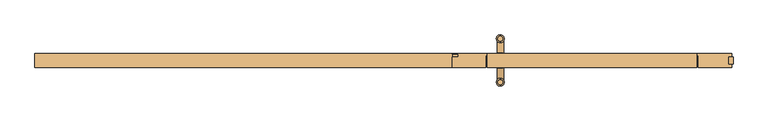
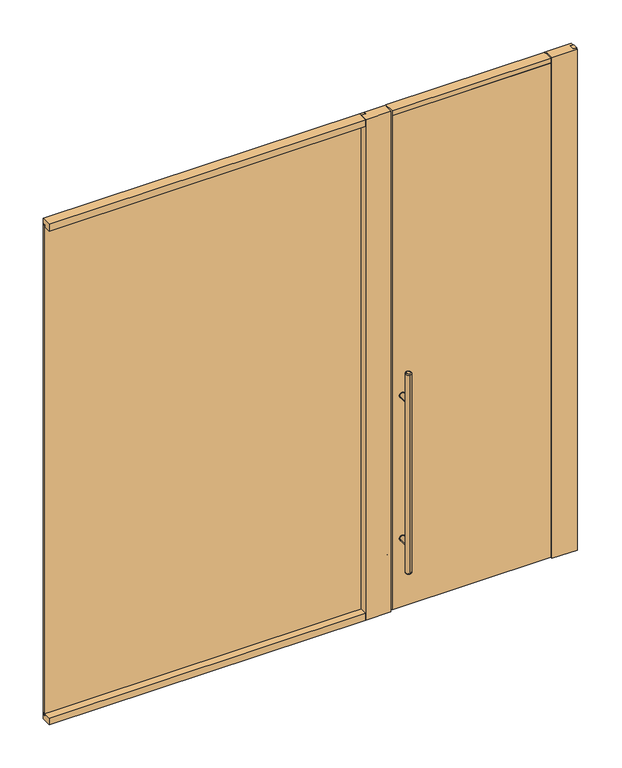
"""IFC4 building model written with IfcOpenShell, lengths in millimetres: door geometry."""

from ifc_helpers import new_model, si_unit, point, frame, frame_2d, origin, origin_with_axes, place, context, project, spatial, polyline, circle_curve, ellipse_curve, trimmed, segment, composite_curve, outline, extrude, faceted_brep, source, transform, mapped, element, save
from ifc_brep_helpers import plane_surface, cylinder_surface, revolved_surface, advanced_brep


def door_faa36e53(model_context):
    return source(origin(), model_context, "Body", "SolidModel", [
        extrude(outline(composite_curve([segment(trimmed(circle_curve(frame_2d((428.625, 507.6499963)), 15.875), [point((428.625, 491.7749963))], [point((428.625, 523.5249963))], False, "CARTESIAN"), True, "CONTINUOUS"), segment(trimmed(circle_curve(frame_2d((428.625, 507.6499963)), 15.875), [point((428.625, 523.5249963))], [point((428.625, 491.7749963))], False, "CARTESIAN"), True, "CONTINUOUS")], self_intersect=False)), frame((0.0, 30.1625, 0.0), z_axis=(0.0, 1.0, 0.0), x_axis=(0.0, 0.0, 1.0)), (0.0, 0.0, 1.0), 3.175),
        extrude(outline(composite_curve([segment(trimmed(circle_curve(frame_2d((1298.575, 507.6499963)), 15.875), [point((1298.575, 523.5249963))], [point((1298.575, 491.7749963))], False, "CARTESIAN"), True, "CONTINUOUS"), segment(trimmed(circle_curve(frame_2d((1298.575, 507.6499963)), 15.875), [point((1298.575, 491.7749963))], [point((1298.575, 523.5249963))], False, "CARTESIAN"), True, "CONTINUOUS")], self_intersect=False)), frame((0.0, 30.1625, 0.0), z_axis=(0.0, 1.0, 0.0), x_axis=(0.0, 0.0, 1.0)), (0.0, 0.0, 1.0), 3.175),
        extrude(outline(composite_curve([segment(trimmed(circle_curve(frame_2d((428.625, 507.6499963)), 15.875), [point((428.625, 491.7749963))], [point((428.625, 523.5249963))], False, "CARTESIAN"), True, "CONTINUOUS"), segment(trimmed(circle_curve(frame_2d((428.625, 507.6499963)), 15.875), [point((428.625, 523.5249963))], [point((428.625, 491.7749963))], False, "CARTESIAN"), True, "CONTINUOUS")], self_intersect=False)), frame((0.0, -33.3375, 0.0), z_axis=(0.0, 1.0, 0.0), x_axis=(0.0, 0.0, 1.0)), (0.0, 0.0, 1.0), 3.175),
        extrude(outline(composite_curve([segment(trimmed(circle_curve(frame_2d((1298.575, 507.6499963)), 15.875), [point((1298.575, 491.7749963))], [point((1298.575, 523.5249963))], False, "CARTESIAN"), True, "CONTINUOUS"), segment(trimmed(circle_curve(frame_2d((1298.575, 507.6499963)), 15.875), [point((1298.575, 523.5249963))], [point((1298.575, 491.7749963))], False, "CARTESIAN"), True, "CONTINUOUS")], self_intersect=False)), frame((0.0, -33.3375, 0.0), z_axis=(0.0, 1.0, 0.0), x_axis=(0.0, 0.0, 1.0)), (0.0, 0.0, 1.0), 3.175),
        extrude(outline(composite_curve([segment(trimmed(circle_curve(frame_2d((428.625, 507.6499963)), 14.2875), [point((428.625, 521.9374963))], [point((428.625, 493.3624963))], False, "CARTESIAN"), True, "CONTINUOUS"), segment(trimmed(circle_curve(frame_2d((428.625, 507.6499963)), 14.2875), [point((428.625, 493.3624963))], [point((428.625, 521.9374963))], False, "CARTESIAN"), True, "CONTINUOUS")], self_intersect=False)), frame((0.0, -95.25, 0.0), z_axis=(0.0, 1.0, 0.0), x_axis=(0.0, 0.0, 1.0)), (0.0, 0.0, 1.0), 65.0875),
        extrude(outline(composite_curve([segment(trimmed(circle_curve(frame_2d((1298.575, 507.6499963)), 14.2875), [point((1298.575, 521.9374963))], [point((1298.575, 493.3624963))], False, "CARTESIAN"), True, "CONTINUOUS"), segment(trimmed(circle_curve(frame_2d((1298.575, 507.6499963)), 14.2875), [point((1298.575, 493.3624963))], [point((1298.575, 521.9374963))], False, "CARTESIAN"), True, "CONTINUOUS")], self_intersect=False)), frame((0.0, -95.25, 0.0), z_axis=(0.0, 1.0, 0.0), x_axis=(0.0, 0.0, 1.0)), (0.0, 0.0, 1.0), 65.0875),
        advanced_brep(
        [(507.6499963, 84.455, 1473.2), (507.6499963, 106.045, 1473.2), (507.6499963, 106.045, 254.0), (507.6499963, 84.455, 254.0), (507.6499963, 112.395, 260.35), (507.6499963, 112.395, 1466.85), (507.6499963, 78.105, 1466.85), (507.6499963, 78.105, 260.35)],
        [
            (0, 1, circle_curve(frame((507.6499963, 95.25, 1473.2), z_axis=(0.0, 0.0, 1.0), x_axis=(0.0, -1.0, 0.0)), 10.795)),
            (1, 0, circle_curve(frame((507.6499963, 95.25, 1473.2), z_axis=(0.0, 0.0, 1.0), x_axis=(0.0, -1.0, 0.0)), 10.795)),
            (2, 3, circle_curve(frame((507.6499963, 95.25, 254.0), z_axis=(0.0, 0.0, -1.0), x_axis=(0.0, -1.0, 0.0)), 10.795)),
            (3, 2, circle_curve(frame((507.6499963, 95.25, 254.0), z_axis=(0.0, 0.0, -1.0), x_axis=(0.0, -1.0, 0.0)), 10.795)),
            (4, 5),
            (5, 6, circle_curve(frame((507.6499963, 95.25, 1466.85), z_axis=(0.0, 0.0, -1.0), x_axis=(0.0, -1.0, 0.0)), 17.145)),
            (6, 7),
            (7, 4, circle_curve(frame((507.6499963, 95.25, 260.35), z_axis=(0.0, 0.0, 1.0), x_axis=(0.0, -1.0, 0.0)), 17.145)),
            (6, 5, circle_curve(frame((507.6499963, 95.25, 1466.85), z_axis=(0.0, 0.0, -1.0), x_axis=(0.0, -1.0, 0.0)), 17.145)),
            (4, 7, circle_curve(frame((507.6499963, 95.25, 260.35), z_axis=(0.0, 0.0, 1.0), x_axis=(0.0, -1.0, 0.0)), 17.145)),
            (3, 7, circle_curve(frame((507.6499963, 84.455, 260.35), z_axis=(-1.0, 0.0, 0.0), x_axis=(0.0, -1.0, 0.0)), 6.35)),
            (4, 2, circle_curve(frame((507.6499963, 106.045, 260.35), z_axis=(-1.0, 0.0, 0.0), x_axis=(0.0, 1.0, 0.0)), 6.35)),
            (6, 0, circle_curve(frame((507.6499963, 84.455, 1466.85), z_axis=(-1.0, 0.0, 0.0), x_axis=(0.0, -1.0, 0.0)), 6.35)),
            (1, 5, circle_curve(frame((507.6499963, 106.045, 1466.85), z_axis=(-1.0, 0.0, 0.0), x_axis=(0.0, 1.0, 0.0)), 6.35)),
        ],
        [
            plane_surface(frame((507.6499963, -112.395, 1473.2), z_axis=(0.0, 0.0, 1.0), x_axis=(-1.0, 0.0, 0.0))),
            plane_surface(frame((507.6499963, -112.395, 254.0), z_axis=(0.0, 0.0, -1.0), x_axis=(1.0, 0.0, 0.0))),
            cylinder_surface(frame((507.6499963, 95.25, 254.0), z_axis=(0.0, 0.0, 1.0), x_axis=(0.0, -1.0, 0.0)), 17.145),
            revolved_surface(trimmed(ellipse_curve(frame((507.6499963, 84.455, 260.35), z_axis=(-1.0, 0.0, 0.0), x_axis=(0.0, -1.0, 0.0)), 6.35, 6.35), [point((507.6499963, 84.455, 254.0))], [point((507.6499963, 78.105, 260.35))], True, "CARTESIAN"), (507.6499963, 95.25, 2082.8), (0.0, 0.0, 1.0)),
            revolved_surface(trimmed(ellipse_curve(frame((507.6499963, 84.455, 1466.85), z_axis=(-1.0, 0.0, 0.0), x_axis=(0.0, -1.0, 0.0)), 6.35, 6.35), [point((507.6499963, 78.105, 1466.85))], [point((507.6499963, 84.455, 1473.2))], True, "CARTESIAN"), (507.6499963, 95.25, -355.6), (0.0, 0.0, 1.0)),
        ],
        [
            (0, [[1, 2]]),
            (1, [[3, 4]]),
            (2, [[5, 6, 7, 8]]),
            (2, [[-7, 9, -5, 10]]),
            (3, [[-4, 11, -10, 12]]),
            (3, [[-8, -11, -3, -12]]),
            (4, [[-9, 13, -2, 14]]),
            (4, [[-1, -13, -6, -14]]),
        ],
    ),
        advanced_brep(
        [(507.6499963, -106.045, 1473.2), (507.6499963, -84.455, 1473.2), (507.6499963, -84.455, 254.0), (507.6499963, -106.045, 254.0), (507.6499963, -78.105, 260.35), (507.6499963, -78.105, 1466.85), (507.6499963, -112.395, 1466.85), (507.6499963, -112.395, 260.35)],
        [
            (0, 1, circle_curve(frame((507.6499963, -95.25, 1473.2), z_axis=(0.0, 0.0, 1.0), x_axis=(0.0, 1.0, 0.0)), 10.795)),
            (1, 0, circle_curve(frame((507.6499963, -95.25, 1473.2), z_axis=(0.0, 0.0, 1.0), x_axis=(0.0, 1.0, 0.0)), 10.795)),
            (2, 3, circle_curve(frame((507.6499963, -95.25, 254.0), z_axis=(0.0, 0.0, -1.0), x_axis=(0.0, 1.0, 0.0)), 10.795)),
            (3, 2, circle_curve(frame((507.6499963, -95.25, 254.0), z_axis=(0.0, 0.0, -1.0), x_axis=(0.0, 1.0, 0.0)), 10.795)),
            (4, 5),
            (5, 6, circle_curve(frame((507.6499963, -95.25, 1466.85), z_axis=(0.0, 0.0, -1.0), x_axis=(0.0, -1.0, 0.0)), 17.145)),
            (6, 7),
            (7, 4, circle_curve(frame((507.6499963, -95.25, 260.35), z_axis=(0.0, 0.0, 1.0), x_axis=(0.0, -1.0, 0.0)), 17.145)),
            (6, 5, circle_curve(frame((507.6499963, -95.25, 1466.85), z_axis=(0.0, 0.0, -1.0), x_axis=(0.0, -1.0, 0.0)), 17.145)),
            (4, 7, circle_curve(frame((507.6499963, -95.25, 260.35), z_axis=(0.0, 0.0, 1.0), x_axis=(0.0, -1.0, 0.0)), 17.145)),
            (4, 2, circle_curve(frame((507.6499963, -84.455, 260.35), z_axis=(-1.0, 0.0, 0.0), x_axis=(0.0, 1.0, 0.0)), 6.35)),
            (3, 7, circle_curve(frame((507.6499963, -106.045, 260.35), z_axis=(-1.0, 0.0, 0.0), x_axis=(0.0, -1.0, 0.0)), 6.35)),
            (1, 5, circle_curve(frame((507.6499963, -84.455, 1466.85), z_axis=(-1.0, 0.0, 0.0), x_axis=(0.0, 1.0, 0.0)), 6.35)),
            (6, 0, circle_curve(frame((507.6499963, -106.045, 1466.85), z_axis=(-1.0, 0.0, 0.0), x_axis=(0.0, -1.0, 0.0)), 6.35)),
        ],
        [
            plane_surface(frame((507.6499963, -112.395, 1473.2), z_axis=(0.0, 0.0, 1.0), x_axis=(-1.0, 0.0, 0.0))),
            plane_surface(frame((507.6499963, -112.395, 254.0), z_axis=(0.0, 0.0, -1.0), x_axis=(1.0, 0.0, 0.0))),
            cylinder_surface(frame((507.6499963, -95.25, 254.0), z_axis=(0.0, 0.0, 1.0), x_axis=(0.0, -1.0, 0.0)), 17.145),
            revolved_surface(trimmed(ellipse_curve(frame((507.6499963, -84.455, 260.35), z_axis=(-1.0, 0.0, 0.0), x_axis=(0.0, 1.0, 0.0)), 6.35, 6.35), [point((507.6499963, -78.105, 260.35))], [point((507.6499963, -84.455, 254.0))], True, "CARTESIAN"), (507.6499963, -95.25, 2082.8), (0.0, 0.0, -1.0)),
            revolved_surface(trimmed(ellipse_curve(frame((507.6499963, -84.455, 1466.85), z_axis=(-1.0, 0.0, 0.0), x_axis=(0.0, 1.0, 0.0)), 6.35, 6.35), [point((507.6499963, -84.455, 1473.2))], [point((507.6499963, -78.105, 1466.85))], True, "CARTESIAN"), (507.6499963, -95.25, -355.6), (0.0, 0.0, -1.0)),
        ],
        [
            (0, [[1, 2]]),
            (1, [[3, 4]]),
            (2, [[5, 6, 7, 8]]),
            (2, [[-7, 9, -5, 10]]),
            (3, [[-10, 11, -4, 12]]),
            (3, [[-3, -11, -8, -12]]),
            (4, [[-2, 13, -9, 14]]),
            (4, [[-6, -13, -1, -14]]),
        ],
    ),
        extrude(outline(composite_curve([segment(trimmed(circle_curve(frame_2d((428.625, 507.6499963)), 14.2875), [point((428.625, 521.9374963))], [point((428.625, 493.3624963))], False, "CARTESIAN"), True, "CONTINUOUS"), segment(trimmed(circle_curve(frame_2d((428.625, 507.6499963)), 14.2875), [point((428.625, 493.3624963))], [point((428.625, 521.9374963))], False, "CARTESIAN"), True, "CONTINUOUS")], self_intersect=False)), frame((0.0, 30.1625, 0.0), z_axis=(0.0, 1.0, 0.0), x_axis=(0.0, 0.0, 1.0)), (0.0, 0.0, 1.0), 65.0875),
        extrude(outline(composite_curve([segment(trimmed(circle_curve(frame_2d((1298.575, 507.6499963)), 14.2875), [point((1298.575, 521.9374963))], [point((1298.575, 493.3624963))], False, "CARTESIAN"), True, "CONTINUOUS"), segment(trimmed(circle_curve(frame_2d((1298.575, 507.6499963)), 14.2875), [point((1298.575, 493.3624963))], [point((1298.575, 521.9374963))], False, "CARTESIAN"), True, "CONTINUOUS")], self_intersect=False)), frame((0.0, 30.1625, 0.0), z_axis=(0.0, 1.0, 0.0), x_axis=(0.0, 0.0, 1.0)), (0.0, 0.0, 1.0), 65.0875),
        extrude(outline(polyline([(1524.0, 14.8375), (1524.0, -15.1625), (1504.0, -15.1625), (1504.0, 14.8375), (1524.0, 14.8375)])), origin_with_axes(), (0.0, 0.0, 1.0), 3048.0),
        faceted_brep([(1355.3749963, 30.1625, 9.525), (1355.3749963, 17.4625, 9.525), (1364.8999963, 17.4625, 9.525), (1364.8999963, -30.1625, 9.525), (450.4999963, -30.1625, 9.525), (450.4999963, 17.4625, 9.525), (460.0249963, 17.4625, 9.525), (460.0249963, 30.1625, 9.525), (1364.8999963, 17.4625, 3006.725), (1364.8999963, 14.2875, 3006.725), (1364.8999963, 14.2875, 3017.3452951), (1364.8999963, -30.1625, 3017.3452951), (1364.8999963, -30.1625, 3048.0), (1364.8999963, -30.1625, 3019.425), (1364.8999963, 14.2875, 3019.425), (1364.8999963, 17.4625, 3019.425), (1364.8999963, 17.4625, 3009.9), (1364.8999963, 30.1625, 3009.9), (1364.8999963, 30.1625, 3048.0), (450.4999963, -30.1625, 3017.3452951), (1355.3749963, 17.4625, 3006.725), (450.4999963, -30.1625, 3048.0), (450.4999963, 30.1625, 3048.0), (450.4999963, 30.1625, 3009.9), (450.4999963, 17.4625, 3009.9), (450.4999963, 17.4625, 3017.3452951), (450.4999963, 17.4625, 3019.425), (450.4999963, -30.1625, 3019.425), (457.2, 17.4625, 3009.9), (457.2, 17.4625, 3006.725), (460.0249963, 17.4625, 3006.725), (460.0249963, 30.1625, 3006.725), (1355.3749963, 30.1625, 3006.725), (457.2, 17.4625, 3017.3452951), (457.2, 14.2875, 3017.3452951), (457.2, 14.2875, 3006.725)], [[[0, 1, 2, 3, 4, 5, 6, 7]], [[2, 8, 9, 10, 11, 3]], [[12, 13, 14, 15, 16, 17, 18]], [[19, 4, 3, 11]], [[1, 20, 8, 2]], [[21, 22, 23, 24, 5, 4, 19, 25, 26, 27]], [[5, 24, 28, 29, 30, 6]], [[7, 31, 32, 0]], [[23, 22, 18, 17]], [[0, 32, 20, 1]], [[6, 30, 31, 7]], [[18, 22, 21, 12]], [[16, 28, 24, 23, 17]], [[16, 15, 26, 25, 33, 28]], [[15, 14, 13, 27, 26]], [[12, 21, 27, 13]], [[11, 10, 34, 33, 25, 19]], [[35, 34, 10, 9]], [[9, 8, 20, 32, 31, 30, 29, 35]], [[33, 34, 35, 29, 28]]]),
        extrude(outline(polyline([(-1524.0, 14.2875), (-1524.0, 26.9875), (323.4999963, 26.9875), (323.4999963, 14.2875), (-1524.0, 14.2875)])), frame((0.0, 0.0, 28.575), z_axis=(0.0, 0.0, 1.0), x_axis=(1.0, 0.0, 0.0)), (0.0, 0.0, 1.0), 2988.7702951),
        extrude(outline(polyline([(1517.2999963, 30.1625), (1517.2999963, 15.8375), (1503.0, 15.8375), (1503.0, -16.1625), (1517.2999963, -16.1625), (1517.2999963, -30.1625), (1371.2499963, -30.1625), (1371.2499963, 20.6375), (1361.7249963, 20.6375), (1361.7249963, 30.1625), (1517.2999963, 30.1625)])), origin_with_axes(), (0.0, 0.0, 1.0), 3048.0),
        extrude(outline(polyline([(298.0999963, 14.2875), (323.4999963, 14.2875), (323.4999963, 26.9875), (298.0999963, 26.9875), (298.0999963, 30.1625), (453.6749963, 30.1625), (453.6749963, 20.6375), (444.1499963, 20.6375), (444.1499963, -30.1625), (298.0999963, -30.1625), (298.0999963, 14.2875)])), origin_with_axes(), (0.0, 0.0, 1.0), 3048.0),
        extrude(outline(polyline([(-30.1625, 3048.0), (30.1625, 3048.0), (30.1625, 3006.725), (26.9875, 3006.725), (26.9875, 3019.425), (14.2875, 3019.425), (14.2875, 3006.725), (-30.1625, 3006.725), (-30.1625, 3048.0)])), frame((-1524.0, 0.0, 0.0), z_axis=(1.0, 0.0, 0.0), x_axis=(0.0, 1.0, 0.0)), (0.0, 0.0, 1.0), 1822.0999963),
        extrude(outline(polyline([(-30.1625, 0.0), (-30.1625, 41.275), (14.2875, 41.275), (14.2875, 28.575), (26.9875, 28.575), (26.9875, 41.275), (30.1625, 41.275), (30.1625, 0.0), (-30.1625, 0.0)])), frame((-1524.0, 0.0, 0.0), z_axis=(1.0, 0.0, 0.0), x_axis=(0.0, 1.0, 0.0)), (0.0, 0.0, 1.0), 1822.0999963),
    ])


if __name__ == "__main__":
    model = new_model("IFC4")
    model_context = context("Model", 3, world=origin())
    ifc_project = project(units=[si_unit("LENGTHUNIT", "METRE", prefix="MILLI")], contexts=[model_context])
    site = spatial("IfcSite", under=ifc_project)
    building = spatial("IfcBuilding", under=site)
    placement = place(None, origin())
    door_shape = door_faa36e53(model_context)
    element("IfcDoor", 1, at=placement, inside=building, context=model_context, shape_type="MappedRepresentation", body=[
        mapped(door_shape, transform((0.0, 0.0, 0.0), x_axis=(1.0, 0.0, 0.0), y_axis=(0.0, 1.0, 0.0), z_axis=(0.0, 0.0, 1.0))),
    ])
    save(model, "model.ifc")
